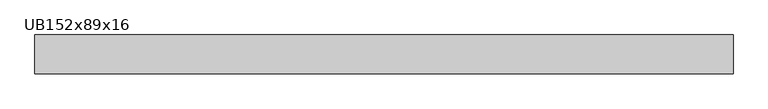
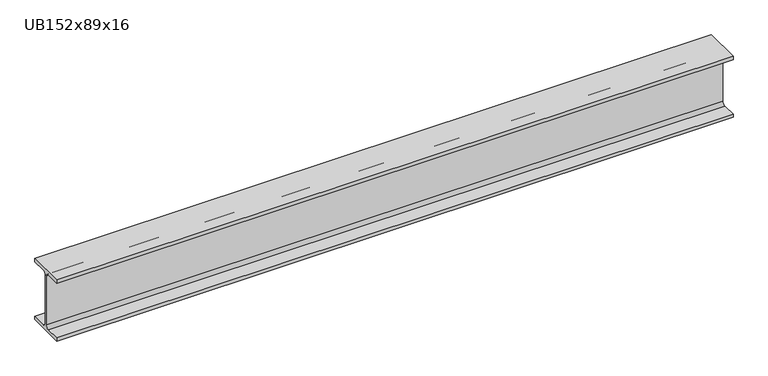
"""IFC4 building model written with IfcOpenShell, lengths in millimetres: beam geometry, UB152x89x16."""

from ifc_helpers import new_model, si_unit, point, frame, frame_2d, origin, place, context, project, spatial, polyline, circle_curve, trimmed, segment, composite_curve, outline, extrude, source, transform, mapped, element, save


def ub152x89x16_3aa56521(model_context):
    return source(origin(), model_context, "Body", "SweptSolid", [
        extrude(outline(composite_curve([segment(polyline([(44.35, -68.5), (44.35, -76.2), (-44.35, -76.2), (-44.35, -68.5), (-9.85, -68.5)]), True, "CONTINUOUS"), segment(trimmed(circle_curve(frame_2d((-9.85, -60.9)), 7.6), [point((-9.85, -68.5))], [point((-2.25, -60.9))], True, "CARTESIAN"), True, "CONTINUOUS"), segment(polyline([(-2.25, -60.9), (-2.25, 60.9)]), True, "CONTINUOUS"), segment(trimmed(circle_curve(frame_2d((-9.85, 60.9)), 7.6), [point((-2.25, 60.9))], [point((-9.85, 68.5))], True, "CARTESIAN"), True, "CONTINUOUS"), segment(polyline([(-9.85, 68.5), (-44.35, 68.5), (-44.35, 76.2), (44.35, 76.2), (44.35, 68.5), (9.85, 68.5)]), True, "CONTINUOUS"), segment(trimmed(circle_curve(frame_2d((9.85, 60.9)), 7.6), [point((9.85, 68.5))], [point((2.25, 60.9))], True, "CARTESIAN"), True, "CONTINUOUS"), segment(polyline([(2.25, 60.9), (2.25, -60.9)]), True, "CONTINUOUS"), segment(trimmed(circle_curve(frame_2d((9.85, -60.9)), 7.6), [point((2.25, -60.9))], [point((9.85, -68.5))], True, "CARTESIAN"), True, "CONTINUOUS"), segment(polyline([(9.85, -68.5), (44.35, -68.5)]), True, "CONTINUOUS")], self_intersect=False)), frame((-798.85, 0.0, 0.0), z_axis=(1.0, 0.0, 0.0), x_axis=(0.0, 1.0, 0.0)), (0.0, 0.0, 1.0), 1597.7),
    ])


if __name__ == "__main__":
    model = new_model("IFC4")
    model_context = context("Model", 3, world=origin())
    ifc_project = project(units=[si_unit("LENGTHUNIT", "METRE", prefix="MILLI")], contexts=[model_context])
    site = spatial("IfcSite", under=ifc_project)
    building = spatial("IfcBuilding", under=site)
    placement = place(None, origin())
    ub152x89x16_shape = ub152x89x16_3aa56521(model_context)
    element("IfcBeam", 1, ObjectType="UB152x89x16", at=placement, inside=building, context=model_context, shape_type="MappedRepresentation", body=[
        mapped(ub152x89x16_shape, transform((0.0, 0.0, 0.0), x_axis=(1.0, 0.0, 0.0), y_axis=(0.0, 1.0, 0.0), z_axis=(0.0, 0.0, 1.0))),
    ])
    save(model, "model.ifc")
